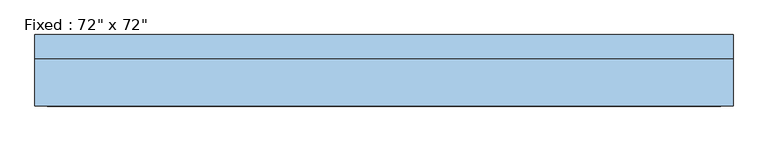
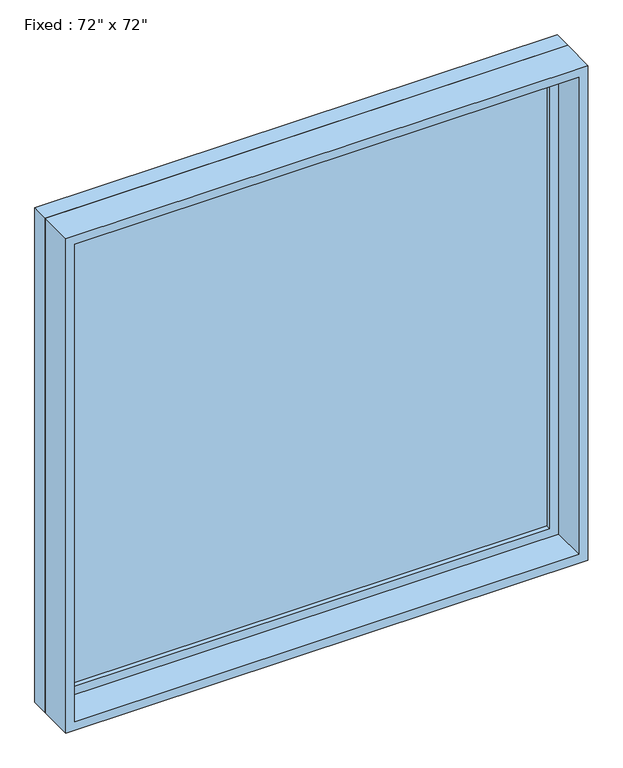
"""IFC4 building model written with IfcOpenShell, lengths in millimetres: window geometry."""

from ifc_helpers import new_model, si_unit, frame, origin, place, context, project, spatial, polyline, outline, extrude, source, transform, mapped, element, save


def window_fab03480(model_context):
    return source(origin(), model_context, "Body", "SweptSolid", [
        extrude(outline(polyline([(812.8, 46.0375), (-889.0, 46.0375), (-889.0, 58.7375), (812.8, 58.7375), (812.8, 46.0375)])), frame((0.0, 0.0, 368.3), z_axis=(0.0, 0.0, 1.0), x_axis=(1.0, 0.0, 0.0)), (0.0, 0.0, 1.0), 1701.8),
        extrude(outline(polyline([(2114.55, -933.45), (323.85, -933.45), (323.85, 857.25), (2114.55, 857.25), (2114.55, -933.45)]), holes=[polyline([(2070.1, -889.0), (2070.1, 812.8), (368.3, 812.8), (368.3, -889.0), (2070.1, -889.0)])]), frame((0.0, 30.1625, 0.0), z_axis=(0.0, 1.0, 0.0), x_axis=(0.0, 0.0, 1.0)), (0.0, 0.0, 1.0), 44.45),
        extrude(outline(polyline([(2133.6, -952.5), (304.8, -952.5), (304.8, 876.3), (2133.6, 876.3), (2133.6, -952.5)]), holes=[polyline([(2101.85, -920.75), (2101.85, 844.55), (336.55, 844.55), (336.55, -920.75), (2101.85, -920.75)])]), frame((0.0, -93.6625, 0.0), z_axis=(0.0, 1.0, 0.0), x_axis=(0.0, 0.0, 1.0)), (0.0, 0.0, 1.0), 123.825),
        extrude(outline(polyline([(2133.6, 876.3), (2133.6, -952.5), (304.8, -952.5), (304.8, 876.3), (2133.6, 876.3)]), holes=[polyline([(2114.55, 857.25), (323.85, 857.25), (323.85, -933.45), (2114.55, -933.45), (2114.55, 857.25)])]), frame((0.0, 30.1625, 0.0), z_axis=(0.0, 1.0, 0.0), x_axis=(0.0, 0.0, 1.0)), (0.0, 0.0, 1.0), 63.5),
    ])


if __name__ == "__main__":
    model = new_model("IFC4")
    model_context = context("Model", 3, world=origin())
    ifc_project = project(units=[si_unit("LENGTHUNIT", "METRE", prefix="MILLI")], contexts=[model_context])
    site = spatial("IfcSite", under=ifc_project)
    building = spatial("IfcBuilding", under=site)
    placement = place(None, origin())
    window_shape = window_fab03480(model_context)
    element("IfcWindow", 1, ObjectType="Fixed : 72\" x 72\"", at=placement, inside=building, context=model_context, shape_type="MappedRepresentation", body=[
        mapped(window_shape, transform((0.0, 0.0, 0.0), x_axis=(1.0, 0.0, 0.0), y_axis=(0.0, 1.0, 0.0), z_axis=(0.0, 0.0, 1.0))),
    ])
    save(model, "model.ifc")
